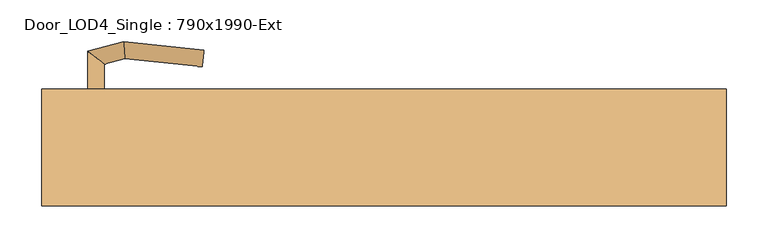
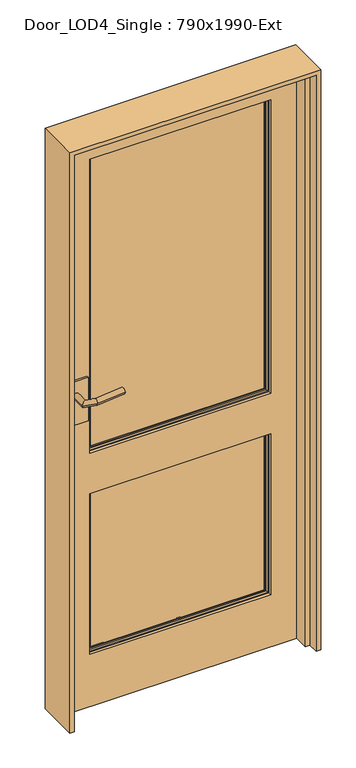
"""IFC4 building model written with IfcOpenShell, lengths in millimetres: door geometry, Door_LOD4_Single : 790x1990-Ext."""

from ifc_helpers import new_model, si_unit, frame, origin, place, context, project, spatial, polyline, circle_curve, ellipse_curve, outline, extrude, faceted_brep, source, transform, mapped, element, save
from ifc_brep_helpers import plane_surface, cylinder_surface, advanced_brep


def door_lod4_single_790x1990_ext_f6b8af98(model_context):
    return source(origin(), model_context, "Body", "SolidModel", [
        advanced_brep(
        [(295.0, 25.0, 875.0), (295.0, 25.0, 1890.0000797), (-295.0, 25.0, 1890.0000797), (-295.0, 25.0, 875.0), (-291.3556551, 25.0, 878.6443449), (-291.3556551, 25.0, 1886.3557348), (291.3556551, 25.0, 1886.3557348), (291.3556551, 25.0, 878.6443449), (295.0, 45.0, 875.0), (-295.0, 45.0, 875.0), (-295.0, 45.0, 1890.0000797), (295.0, 45.0, 1890.0000797), (-291.3556551, 45.0, 1886.3557348), (-291.3556551, 45.0, 878.6443449), (291.3556551, 45.0, 878.6443449), (291.3556551, 45.0, 1886.3557348), (-284.5, 37.3125, 1879.5000797), (-284.5, 37.3125, 885.5), (-284.5, 40.3125, 885.5), (-284.5, 40.3125, 1879.5000797), (284.5, 37.3125, 885.5), (284.5, 40.3125, 885.5), (284.5, 37.3125, 1879.5000797), (284.5, 40.3125, 1879.5000797), (-289.0625, 40.3125, 880.9375), (-289.0625, 40.3125, 1884.0625797), (289.0625, 40.3125, 1884.0625797), (289.0625, 40.3125, 880.9375), (-284.5, 29.6875, 1879.5000797), (-284.5, 29.6875, 885.5), (-284.5, 32.6875, 885.5), (-284.5, 32.6875, 1879.5000797), (284.5, 29.6875, 885.5), (284.5, 32.6875, 885.5), (284.5, 29.6875, 1879.5000797), (284.5, 32.6875, 1879.5000797), (-289.0625, 29.6875, 1884.0625797), (-289.0625, 29.6875, 880.9375), (289.0625, 29.6875, 880.9375), (289.0625, 29.6875, 1884.0625797)],
        [
            (0, 1),
            (1, 2),
            (2, 3),
            (3, 0),
            (4, 5),
            (5, 6),
            (6, 7),
            (7, 4),
            (8, 9),
            (9, 10),
            (10, 11),
            (11, 8),
            (12, 13),
            (13, 14),
            (14, 15),
            (15, 12),
            (0, 8),
            (11, 1),
            (10, 2),
            (9, 3),
            (16, 17),
            (17, 18),
            (18, 19),
            (19, 16),
            (17, 20),
            (20, 21),
            (21, 18),
            (20, 22),
            (22, 23),
            (23, 21),
            (24, 25),
            (25, 26),
            (26, 27),
            (27, 24),
            (23, 19),
            (22, 16),
            (24, 13, ellipse_curve(frame((-295.0, 40.3125, 875.0), z_axis=(-0.7071067811865475, 0.0, 0.7071067811865475), x_axis=(-0.7071067811865474, 0.0, -0.7071067811865476)), 8.396893, 5.9375)),
            (12, 25, ellipse_curve(frame((-295.0, 40.3125, 1890.0000797), z_axis=(-0.7071067811865475, 0.0, -0.7071067811865475), x_axis=(0.7071067811865474, 0.0, -0.7071067811865476)), 8.396893, 5.9375)),
            (27, 14, ellipse_curve(frame((295.0, 40.3125, 875.0), z_axis=(-0.7071067811865475, 0.0, -0.7071067811865475), x_axis=(0.7071067811865476, 0.0, -0.7071067811865474)), 8.396893, 5.9375)),
            (26, 15, ellipse_curve(frame((295.0, 40.3125, 1890.0000797), z_axis=(0.7071067811865475, 0.0, -0.7071067811865475), x_axis=(0.7071067811865474, 0.0, 0.7071067811865476)), 8.396893, 5.9375)),
            (28, 29),
            (29, 30),
            (30, 31),
            (31, 28),
            (29, 32),
            (32, 33),
            (33, 30),
            (32, 34),
            (34, 35),
            (35, 33),
            (36, 37),
            (37, 38),
            (38, 39),
            (39, 36),
            (28, 34),
            (31, 35),
            (36, 5, ellipse_curve(frame((-295.0, 29.6875, 1890.0000797), z_axis=(-0.7071067811865475, 0.0, -0.7071067811865475), x_axis=(0.7071067811865474, 0.0, -0.7071067811865476)), 8.396893, 5.9375)),
            (4, 37, ellipse_curve(frame((-295.0, 29.6875, 875.0), z_axis=(-0.7071067811865475, 0.0, 0.7071067811865475), x_axis=(-0.7071067811865474, 0.0, -0.7071067811865476)), 8.396893, 5.9375)),
            (7, 38, ellipse_curve(frame((295.0, 29.6875, 875.0), z_axis=(-0.7071067811865475, 0.0, -0.7071067811865475), x_axis=(0.7071067811865476, 0.0, -0.7071067811865474)), 8.396893, 5.9375)),
            (6, 39, ellipse_curve(frame((295.0, 29.6875, 1890.0000797), z_axis=(0.7071067811865475, 0.0, -0.7071067811865475), x_axis=(0.7071067811865474, 0.0, 0.7071067811865476)), 8.396893, 5.9375)),
        ],
        [
            plane_surface(frame((295.0, 25.0, 875.0), z_axis=(0.0, -1.0, 0.0), x_axis=(0.0, 0.0, 1.0))),
            plane_surface(frame((295.0, 45.0, 875.0), z_axis=(0.0, 1.0, 0.0), x_axis=(0.0, 0.0, -1.0))),
            plane_surface(frame((295.0, 25.0, 875.0), z_axis=(1.0, 0.0, 0.0), x_axis=(0.0, 1.0, 0.0))),
            plane_surface(frame((295.0, 25.0, 1890.0000797), z_axis=(0.0, 0.0, 1.0), x_axis=(0.0, 1.0, 0.0))),
            plane_surface(frame((-295.0, 25.0, 1890.0000797), z_axis=(-1.0, 0.0, 0.0), x_axis=(0.0, 1.0, 0.0))),
            plane_surface(frame((-295.0, 25.0, 875.0), z_axis=(0.0, 0.0, -1.0), x_axis=(0.0, 1.0, 0.0))),
            plane_surface(frame((-284.5, 40.3125, 1879.5000797), z_axis=(1.0, 0.0, 0.0), x_axis=(0.0, 0.0, -1.0))),
            plane_surface(frame((-284.5, 40.3125, 885.5), z_axis=(0.0, 0.0, 1.0), x_axis=(1.0, 0.0, 0.0))),
            plane_surface(frame((284.5, 40.3125, 885.5), z_axis=(-1.0, 0.0, 0.0), x_axis=(0.0, 0.0, 1.0))),
            plane_surface(frame((289.0625, 40.3125, 1884.0625797), z_axis=(0.0, 1.0, 0.0), x_axis=(-1.0, 0.0, 0.0))),
            plane_surface(frame((284.5, 40.3125, 1879.5000797), z_axis=(0.0, 0.0, -1.0), x_axis=(-1.0, 0.0, 0.0))),
            plane_surface(frame((284.5, 37.3125, 1879.5000797), z_axis=(0.0, 1.0, 0.0), x_axis=(-1.0, 0.0, 0.0))),
            cylinder_surface(frame((-295.0, 40.3125, 1890.0000797), z_axis=(0.0, 0.0, -1.0), x_axis=(-1.0, 0.0, 0.0)), 5.9375),
            cylinder_surface(frame((-295.0, 40.3125, 875.0), z_axis=(1.0, 0.0, 0.0), x_axis=(0.0, 0.0, -1.0)), 5.9375),
            cylinder_surface(frame((295.0, 40.3125, 875.0), z_axis=(0.0, 0.0, 1.0), x_axis=(1.0, 0.0, 0.0)), 5.9375),
            cylinder_surface(frame((295.0, 40.3125, 1890.0000797), z_axis=(-1.0, 0.0, 0.0), x_axis=(0.0, 0.0, 1.0)), 5.9375),
            plane_surface(frame((-284.5, 32.6875, 1879.5000797), z_axis=(1.0, 0.0, 0.0), x_axis=(0.0, 0.0, -1.0))),
            plane_surface(frame((-284.5, 32.6875, 885.5), z_axis=(0.0, 0.0, 1.0), x_axis=(1.0, 0.0, 0.0))),
            plane_surface(frame((284.5, 32.6875, 885.5), z_axis=(-1.0, 0.0, 0.0), x_axis=(0.0, 0.0, 1.0))),
            plane_surface(frame((284.5, 29.6875, 1879.5000797), z_axis=(0.0, -1.0, 0.0), x_axis=(-1.0, 0.0, 0.0))),
            plane_surface(frame((284.5, 32.6875, 1879.5000797), z_axis=(0.0, 0.0, -1.0), x_axis=(-1.0, 0.0, 0.0))),
            plane_surface(frame((261.5442476, 32.6875, 1856.5443273), z_axis=(0.0, -1.0, 0.0), x_axis=(-1.0, 0.0, 0.0))),
            cylinder_surface(frame((-295.0, 29.6875, 1890.0000797), z_axis=(0.0, 0.0, -1.0), x_axis=(1.0, 0.0, 0.0)), 5.9375),
            cylinder_surface(frame((-295.0, 29.6875, 875.0), z_axis=(1.0, 0.0, 0.0), x_axis=(0.0, 0.0, 1.0)), 5.9375),
            cylinder_surface(frame((295.0, 29.6875, 875.0), z_axis=(0.0, 0.0, 1.0), x_axis=(-1.0, 0.0, 0.0)), 5.9375),
            cylinder_surface(frame((295.0, 29.6875, 1890.0000797), z_axis=(-1.0, 0.0, 0.0), x_axis=(0.0, 0.0, -1.0)), 5.9375),
        ],
        [
            (0, [[1, 2, 3, 4], [5, 6, 7, 8]]),
            (1, [[9, 10, 11, 12], [13, 14, 15, 16]]),
            (2, [[-1, 17, -12, 18]]),
            (3, [[-2, -18, -11, 19]]),
            (4, [[-3, -19, -10, 20]]),
            (5, [[-4, -20, -9, -17]]),
            (6, [[21, 22, 23, 24]]),
            (7, [[-22, 25, 26, 27]]),
            (8, [[-26, 28, 29, 30]]),
            (9, [[31, 32, 33, 34], [-23, -27, -30, 35]]),
            (10, [[-24, -35, -29, 36]]),
            (11, [[-21, -36, -28, -25]]),
            (12, [[-31, 37, -13, 38]]),
            (13, [[-34, 39, -14, -37]]),
            (14, [[-33, 40, -15, -39]]),
            (15, [[-32, -38, -16, -40]]),
            (16, [[41, 42, 43, 44]]),
            (17, [[-42, 45, 46, 47]]),
            (18, [[-46, 48, 49, 50]]),
            (19, [[51, 52, 53, 54], [-41, 55, -48, -45]]),
            (20, [[-44, 56, -49, -55]]),
            (21, [[-43, -47, -50, -56]]),
            (22, [[-51, 57, -5, 58]]),
            (23, [[-52, -58, -8, 59]]),
            (24, [[-53, -59, -7, 60]]),
            (25, [[-54, -60, -6, -57]]),
        ],
    ),
        advanced_brep(
        [(295.0, 25.0, 180.0), (295.0, 25.0, 735.0), (-295.0, 25.0, 735.0), (-295.0, 25.0, 180.0), (-291.3556551, 25.0, 183.6443449), (-291.3556551, 25.0, 731.3556551), (291.3556551, 25.0, 731.3556551), (291.3556551, 25.0, 183.6443449), (295.0, 45.0, 180.0), (-295.0, 45.0, 180.0), (-295.0, 45.0, 735.0), (295.0, 45.0, 735.0), (-291.3556551, 45.0, 731.3556551), (-291.3556551, 45.0, 183.6443449), (291.3556551, 45.0, 183.6443449), (291.3556551, 45.0, 731.3556551), (-284.5, 37.3125, 724.5), (-284.5, 37.3125, 190.5), (-284.5, 40.3125, 190.5), (-284.5, 40.3125, 724.5), (284.5, 37.3125, 190.5), (284.5, 40.3125, 190.5), (284.5, 37.3125, 724.5), (284.5, 40.3125, 724.5), (-289.0625, 40.3125, 185.9375), (-289.0625, 40.3125, 729.0625), (289.0625, 40.3125, 729.0625), (289.0625, 40.3125, 185.9375), (-284.5, 29.6875, 724.5), (-284.5, 29.6875, 190.5), (-284.5, 32.6875, 190.5), (-284.5, 32.6875, 724.5), (284.5, 29.6875, 190.5), (284.5, 32.6875, 190.5), (284.5, 29.6875, 724.5), (284.5, 32.6875, 724.5), (-289.0625, 29.6875, 729.0625), (-289.0625, 29.6875, 185.9375), (289.0625, 29.6875, 185.9375), (289.0625, 29.6875, 729.0625)],
        [
            (0, 1),
            (1, 2),
            (2, 3),
            (3, 0),
            (4, 5),
            (5, 6),
            (6, 7),
            (7, 4),
            (8, 9),
            (9, 10),
            (10, 11),
            (11, 8),
            (12, 13),
            (13, 14),
            (14, 15),
            (15, 12),
            (0, 8),
            (11, 1),
            (10, 2),
            (9, 3),
            (16, 17),
            (17, 18),
            (18, 19),
            (19, 16),
            (17, 20),
            (20, 21),
            (21, 18),
            (20, 22),
            (22, 23),
            (23, 21),
            (24, 25),
            (25, 26),
            (26, 27),
            (27, 24),
            (23, 19),
            (22, 16),
            (24, 13, ellipse_curve(frame((-295.0, 40.3125, 180.0), z_axis=(-0.7071067811865475, 0.0, 0.7071067811865475), x_axis=(-0.7071067811865474, 0.0, -0.7071067811865476)), 8.396893, 5.9375)),
            (12, 25, ellipse_curve(frame((-295.0, 40.3125, 735.0), z_axis=(-0.7071067811865475, 0.0, -0.7071067811865475), x_axis=(0.7071067811865474, 0.0, -0.7071067811865476)), 8.396893, 5.9375)),
            (27, 14, ellipse_curve(frame((295.0, 40.3125, 180.0), z_axis=(-0.7071067811865475, 0.0, -0.7071067811865475), x_axis=(0.7071067811865476, 0.0, -0.7071067811865474)), 8.396893, 5.9375)),
            (26, 15, ellipse_curve(frame((295.0, 40.3125, 735.0), z_axis=(0.7071067811865475, 0.0, -0.7071067811865475), x_axis=(0.7071067811865474, 0.0, 0.7071067811865476)), 8.396893, 5.9375)),
            (28, 29),
            (29, 30),
            (30, 31),
            (31, 28),
            (29, 32),
            (32, 33),
            (33, 30),
            (32, 34),
            (34, 35),
            (35, 33),
            (36, 37),
            (37, 38),
            (38, 39),
            (39, 36),
            (28, 34),
            (31, 35),
            (36, 5, ellipse_curve(frame((-295.0, 29.6875, 735.0), z_axis=(-0.7071067811865475, 0.0, -0.7071067811865475), x_axis=(0.7071067811865474, 0.0, -0.7071067811865476)), 8.396893, 5.9375)),
            (4, 37, ellipse_curve(frame((-295.0, 29.6875, 180.0), z_axis=(-0.7071067811865475, 0.0, 0.7071067811865475), x_axis=(-0.7071067811865474, 0.0, -0.7071067811865476)), 8.396893, 5.9375)),
            (7, 38, ellipse_curve(frame((295.0, 29.6875, 180.0), z_axis=(-0.7071067811865475, 0.0, -0.7071067811865475), x_axis=(0.7071067811865476, 0.0, -0.7071067811865474)), 8.396893, 5.9375)),
            (6, 39, ellipse_curve(frame((295.0, 29.6875, 735.0), z_axis=(0.7071067811865475, 0.0, -0.7071067811865475), x_axis=(0.7071067811865474, 0.0, 0.7071067811865476)), 8.396893, 5.9375)),
        ],
        [
            plane_surface(frame((295.0, 25.0, 180.0), z_axis=(0.0, -1.0, 0.0), x_axis=(0.0, 0.0, 1.0))),
            plane_surface(frame((295.0, 45.0, 180.0), z_axis=(0.0, 1.0, 0.0), x_axis=(0.0, 0.0, -1.0))),
            plane_surface(frame((295.0, 25.0, 180.0), z_axis=(1.0, 0.0, 0.0), x_axis=(0.0, 1.0, 0.0))),
            plane_surface(frame((295.0, 25.0, 735.0), z_axis=(0.0, 0.0, 1.0), x_axis=(0.0, 1.0, 0.0))),
            plane_surface(frame((-295.0, 25.0, 735.0), z_axis=(-1.0, 0.0, 0.0), x_axis=(0.0, 1.0, 0.0))),
            plane_surface(frame((-295.0, 25.0, 180.0), z_axis=(0.0, 0.0, -1.0), x_axis=(0.0, 1.0, 0.0))),
            plane_surface(frame((-284.5, 40.3125, 724.5), z_axis=(1.0, 0.0, 0.0), x_axis=(0.0, 0.0, -1.0))),
            plane_surface(frame((-284.5, 40.3125, 190.5), z_axis=(0.0, 0.0, 1.0), x_axis=(1.0, 0.0, 0.0))),
            plane_surface(frame((284.5, 40.3125, 190.5), z_axis=(-1.0, 0.0, 0.0), x_axis=(0.0, 0.0, 1.0))),
            plane_surface(frame((289.0625, 40.3125, 729.0625), z_axis=(0.0, 1.0, 0.0), x_axis=(-1.0, 0.0, 0.0))),
            plane_surface(frame((284.5, 40.3125, 724.5), z_axis=(0.0, 0.0, -1.0), x_axis=(-1.0, 0.0, 0.0))),
            plane_surface(frame((284.5, 37.3125, 724.5), z_axis=(0.0, 1.0, 0.0), x_axis=(-1.0, 0.0, 0.0))),
            cylinder_surface(frame((-295.0, 40.3125, 735.0), z_axis=(0.0, 0.0, -1.0), x_axis=(-1.0, 0.0, 0.0)), 5.9375),
            cylinder_surface(frame((-295.0, 40.3125, 180.0), z_axis=(1.0, 0.0, 0.0), x_axis=(0.0, 0.0, -1.0)), 5.9375),
            cylinder_surface(frame((295.0, 40.3125, 180.0), z_axis=(0.0, 0.0, 1.0), x_axis=(1.0, 0.0, 0.0)), 5.9375),
            cylinder_surface(frame((295.0, 40.3125, 735.0), z_axis=(-1.0, 0.0, 0.0), x_axis=(0.0, 0.0, 1.0)), 5.9375),
            plane_surface(frame((-284.5, 32.6875, 724.5), z_axis=(1.0, 0.0, 0.0), x_axis=(0.0, 0.0, -1.0))),
            plane_surface(frame((-284.5, 32.6875, 190.5), z_axis=(0.0, 0.0, 1.0), x_axis=(1.0, 0.0, 0.0))),
            plane_surface(frame((284.5, 32.6875, 190.5), z_axis=(-1.0, 0.0, 0.0), x_axis=(0.0, 0.0, 1.0))),
            plane_surface(frame((284.5, 29.6875, 724.5), z_axis=(0.0, -1.0, 0.0), x_axis=(-1.0, 0.0, 0.0))),
            plane_surface(frame((284.5, 32.6875, 724.5), z_axis=(0.0, 0.0, -1.0), x_axis=(-1.0, 0.0, 0.0))),
            plane_surface(frame((261.5442476, 32.6875, 701.5442476), z_axis=(0.0, -1.0, 0.0), x_axis=(-1.0, 0.0, 0.0))),
            cylinder_surface(frame((-295.0, 29.6875, 735.0), z_axis=(0.0, 0.0, -1.0), x_axis=(1.0, 0.0, 0.0)), 5.9375),
            cylinder_surface(frame((-295.0, 29.6875, 180.0), z_axis=(1.0, 0.0, 0.0), x_axis=(0.0, 0.0, 1.0)), 5.9375),
            cylinder_surface(frame((295.0, 29.6875, 180.0), z_axis=(0.0, 0.0, 1.0), x_axis=(-1.0, 0.0, 0.0)), 5.9375),
            cylinder_surface(frame((295.0, 29.6875, 735.0), z_axis=(-1.0, 0.0, 0.0), x_axis=(0.0, 0.0, -1.0)), 5.9375),
        ],
        [
            (0, [[1, 2, 3, 4], [5, 6, 7, 8]]),
            (1, [[9, 10, 11, 12], [13, 14, 15, 16]]),
            (2, [[-1, 17, -12, 18]]),
            (3, [[-2, -18, -11, 19]]),
            (4, [[-3, -19, -10, 20]]),
            (5, [[-4, -20, -9, -17]]),
            (6, [[21, 22, 23, 24]]),
            (7, [[-22, 25, 26, 27]]),
            (8, [[-26, 28, 29, 30]]),
            (9, [[31, 32, 33, 34], [-23, -27, -30, 35]]),
            (10, [[-24, -35, -29, 36]]),
            (11, [[-21, -36, -28, -25]]),
            (12, [[-31, 37, -13, 38]]),
            (13, [[-34, 39, -14, -37]]),
            (14, [[-33, 40, -15, -39]]),
            (15, [[-32, -38, -16, -40]]),
            (16, [[41, 42, 43, 44]]),
            (17, [[-42, 45, 46, 47]]),
            (18, [[-46, 48, 49, 50]]),
            (19, [[51, 52, 53, 54], [-41, 55, -48, -45]]),
            (20, [[-44, 56, -49, -55]]),
            (21, [[-43, -47, -50, -56]]),
            (22, [[-51, 57, -5, 58]]),
            (23, [[-52, -58, -8, 59]]),
            (24, [[-53, -59, -7, 60]]),
            (25, [[-54, -60, -6, -57]]),
        ],
    ),
        extrude(outline(polyline([(1990.0000797, -395.0), (0.0, -395.0), (0.0, 395.0), (1990.0000797, 395.0), (1990.0000797, -395.0)]), holes=[polyline([(1890.0000797, 295.0), (875.0, 295.0), (875.0, -295.0), (1890.0000797, -295.0), (1890.0000797, 295.0)]), polyline([(735.0, 295.0), (180.0, 295.0), (180.0, -295.0), (735.0, -295.0), (735.0, 295.0)])]), frame((0.0, 15.0, 0.0), z_axis=(0.0, 1.0, 0.0), x_axis=(0.0, 0.0, 1.0)), (0.0, 0.0, 1.0), 40.0),
        advanced_brep(
        [(-355.0, 7.0, 1095.0000398), (-335.0, 7.0, 1095.0000398), (-335.0, -30.3267301, 1095.0000398), (-355.0, -45.6732699, 1095.0000398), (-310.3947841, -36.9196778, 1095.0000398), (-311.9904081, -57.1976553, 1095.0000398), (-215.6930557, -47.0736521, 1095.0000398), (-217.7841855, -27.1832731, 1095.0000398)],
        [
            (0, 1, circle_curve(frame((-345.0, 7.0, 1095.0000398), z_axis=(0.0, 1.0, 0.0), x_axis=(1.0, 0.0, 0.0)), 10.0)),
            (1, 0, circle_curve(frame((-345.0, 7.0, 1095.0000398), z_axis=(0.0, 1.0, 0.0), x_axis=(1.0, 0.0, 0.0)), 10.0)),
            (1, 2),
            (2, 3, ellipse_curve(frame((-345.0, -38.0, 1095.0000398), z_axis=(-0.6087614290087403, 0.79335334029122, 0.0), x_axis=(0.7933533402912198, 0.6087614290087406, 0.0)), 12.6047241, 10.0)),
            (3, 0),
            (3, 2, ellipse_curve(frame((-345.0, -38.0, 1095.0000398), z_axis=(-0.6087614290087403, 0.79335334029122, 0.0), x_axis=(0.7933533402912198, 0.6087614290087406, 0.0)), 12.6047241, 10.0)),
            (2, 4),
            (4, 5, ellipse_curve(frame((-311.1925961, -47.0586666, 1095.0000398), z_axis=(-0.9969184391323764, 0.07844504903348702, 0.0), x_axis=(0.07844504903348593, 0.9969184391323765, 0.0)), 10.1703292, 10.0)),
            (5, 3),
            (5, 4, ellipse_curve(frame((-311.1925961, -47.0586666, 1095.0000398), z_axis=(-0.9969184391323764, 0.07844504903348702, 0.0), x_axis=(0.07844504903348593, 0.9969184391323765, 0.0)), 10.1703292, 10.0)),
            (6, 7, circle_curve(frame((-216.7386206, -37.1284626, 1095.0000398), z_axis=(0.9945189493358518, 0.10455648909519343, 0.0), x_axis=(-0.10455648909519343, 0.9945189493358518, 0.0)), 10.0)),
            (7, 6, circle_curve(frame((-216.7386206, -37.1284626, 1095.0000398), z_axis=(0.9945189493358518, 0.10455648909519343, 0.0), x_axis=(-0.10455648909519343, 0.9945189493358518, 0.0)), 10.0)),
            (4, 7),
            (6, 5),
        ],
        [
            plane_surface(frame((-345.0, 7.0, 1095.0000398), z_axis=(0.0, 1.0, 0.0), x_axis=(0.0, 0.0, 1.0))),
            cylinder_surface(frame((-345.0, 7.0, 1095.0000398), z_axis=(0.0, 1.0, 0.0), x_axis=(1.0, 0.0, 0.0)), 10.0),
            cylinder_surface(frame((-345.0, -38.0, 1095.0000398), z_axis=(-0.965925826289083, 0.2588190451024665, 0.0), x_axis=(0.2588190451024665, 0.965925826289083, 0.0)), 10.0),
            plane_surface(frame((-216.7386206, -37.1284626, 1095.0000398), z_axis=(0.9945189493358518, 0.10455648909519348, 0.0), x_axis=(0.0, 0.0, 1.0))),
            cylinder_surface(frame((-311.1925961, -47.0586666, 1095.0000398), z_axis=(-0.9945189493358518, -0.10455648909519343, 0.0), x_axis=(-0.10455648909519343, 0.9945189493358518, 0.0)), 10.0),
        ],
        [
            (0, [[1, 2]]),
            (1, [[3, 4, 5, -2]]),
            (1, [[-5, 6, -3, -1]]),
            (2, [[7, 8, 9, -4]]),
            (2, [[-9, 10, -7, -6]]),
            (3, [[11, 12]]),
            (4, [[13, -11, 14, -8]]),
            (4, [[-14, -12, -13, -10]]),
        ],
    ),
        extrude(outline(polyline([(-385.0, 7.0), (-385.0, 15.0), (-305.0, 15.0), (-305.0, 7.0), (-385.0, 7.0)])), frame((0.0, 0.0, 995.0000398), z_axis=(0.0, 0.0, 1.0), x_axis=(1.0, 0.0, 0.0)), (0.0, 0.0, 1.0), 150.0),
        advanced_brep(
        [(-355.0, 63.0, 1095.0000398), (-335.0, 63.0, 1095.0000398), (-355.0, 115.6732699, 1095.0000398), (-335.0, 100.3267301, 1095.0000398), (-311.9904081, 127.1976553, 1095.0000398), (-310.3947841, 106.9196778, 1095.0000398), (-215.6930557, 117.0736521, 1095.0000398), (-217.7841855, 97.1832731, 1095.0000398)],
        [
            (0, 1, circle_curve(frame((-345.0, 63.0, 1095.0000398), z_axis=(0.0, -1.0, 0.0), x_axis=(1.0, 0.0, 0.0)), 10.0)),
            (1, 0, circle_curve(frame((-345.0, 63.0, 1095.0000398), z_axis=(0.0, -1.0, 0.0), x_axis=(1.0, 0.0, 0.0)), 10.0)),
            (0, 2),
            (2, 3, ellipse_curve(frame((-345.0, 108.0, 1095.0000398), z_axis=(-0.6087614290087454, -0.793353340291216, 0.0), x_axis=(0.793353340291216, -0.6087614290087459, 0.0)), 12.6047241, 10.0)),
            (3, 1),
            (3, 2, ellipse_curve(frame((-345.0, 108.0, 1095.0000398), z_axis=(-0.6087614290087454, -0.793353340291216, 0.0), x_axis=(0.793353340291216, -0.6087614290087459, 0.0)), 12.6047241, 10.0)),
            (2, 4),
            (4, 5, ellipse_curve(frame((-311.1925961, 117.0586666, 1095.0000398), z_axis=(-0.9969184391323771, -0.07844504903348057, 0.0), x_axis=(0.07844504903348166, -0.9969184391323769, 0.0)), 10.1703292, 10.0)),
            (5, 3),
            (5, 4, ellipse_curve(frame((-311.1925961, 117.0586666, 1095.0000398), z_axis=(-0.9969184391323771, -0.07844504903348057, 0.0), x_axis=(0.07844504903348166, -0.9969184391323769, 0.0)), 10.1703292, 10.0)),
            (6, 7, circle_curve(frame((-216.7386206, 107.1284626, 1095.0000398), z_axis=(0.9945189493358512, -0.10455648909519989, 0.0), x_axis=(-0.10455648909519989, -0.9945189493358512, 0.0)), 10.0)),
            (7, 6, circle_curve(frame((-216.7386206, 107.1284626, 1095.0000398), z_axis=(0.9945189493358512, -0.10455648909519989, 0.0), x_axis=(-0.10455648909519989, -0.9945189493358512, 0.0)), 10.0)),
            (4, 6),
            (7, 5),
        ],
        [
            plane_surface(frame((-345.0, 63.0, 1095.0000398), z_axis=(0.0, -1.0, 0.0), x_axis=(0.0, 0.0, 1.0))),
            cylinder_surface(frame((-345.0, 63.0, 1095.0000398), z_axis=(0.0, -1.0, 0.0), x_axis=(1.0, 0.0, 0.0)), 10.0),
            cylinder_surface(frame((-345.0, 108.0, 1095.0000398), z_axis=(-0.9659258262890846, -0.25881904510246023, 0.0), x_axis=(0.25881904510246023, -0.9659258262890846, 0.0)), 10.0),
            plane_surface(frame((-216.7386206, 107.1284626, 1095.0000398), z_axis=(0.9945189493358512, -0.10455648909519995, 0.0), x_axis=(0.0, 0.0, 1.0))),
            cylinder_surface(frame((-311.1925961, 117.0586666, 1095.0000398), z_axis=(-0.9945189493358512, 0.10455648909519989, 0.0), x_axis=(-0.10455648909519989, -0.9945189493358512, 0.0)), 10.0),
        ],
        [
            (0, [[1, 2]]),
            (1, [[-1, 3, 4, 5]]),
            (1, [[-2, -5, 6, -3]]),
            (2, [[-4, 7, 8, 9]]),
            (2, [[-6, -9, 10, -7]]),
            (3, [[11, 12]]),
            (4, [[-8, 13, -12, 14]]),
            (4, [[-10, -14, -11, -13]]),
        ],
    ),
        extrude(outline(polyline([(-385.0, 63.0), (-305.0, 63.0), (-305.0, 55.0), (-385.0, 55.0), (-385.0, 63.0)])), frame((0.0, 0.0, 995.0000398), z_axis=(0.0, 0.0, 1.0), x_axis=(1.0, 0.0, 0.0)), (0.0, 0.0, 1.0), 150.0),
        extrude(outline(polyline([(1990.0000797, -395.0), (0.0, -395.0), (0.0, -380.0), (1975.0000797, -380.0), (1975.0000797, 380.0), (0.0, 380.0), (0.0, 395.0), (1990.0000797, 395.0), (1990.0000797, -395.0)])), frame((0.0, -35.0, 0.0), z_axis=(0.0, 1.0, 0.0), x_axis=(0.0, 0.0, 1.0)), (0.0, 0.0, 1.0), 50.0),
        faceted_brep([(-410.0, -70.0, 2005.0000797), (-410.0, -70.0, 0.0), (-395.0, -70.0, 0.0), (-395.0, -70.0, 1990.0000797), (395.0, -70.0, 1990.0000797), (395.0, -70.0, 0.0), (410.0, -70.0, 0.0), (410.0, -70.0, 2005.0000797), (-410.0, 70.0, 2005.0000797), (410.0, 70.0, 2005.0000797), (410.0, 70.0, 0.0), (395.0, 70.0, 0.0), (395.0, 70.0, 1990.0000797), (-395.0, 70.0, 1990.0000797), (-395.0, 70.0, 0.0), (-410.0, 70.0, 0.0), (-395.0, -35.0, 0.0), (-395.0, -35.0, 1990.0000797), (395.0, -35.0, 1990.0000797), (395.0, -35.0, 0.0)], [[[0, 1, 2, 3, 4, 5, 6, 7]], [[8, 9, 10, 11, 12, 13, 14, 15]], [[1, 0, 8, 15]], [[2, 1, 15, 14, 16]], [[3, 2, 16, 14, 13, 17]], [[4, 3, 17, 13, 12, 18]], [[5, 4, 18, 12, 11, 19]], [[6, 5, 19, 11, 10]], [[7, 6, 10, 9]], [[0, 7, 9, 8]]]),
    ])


if __name__ == "__main__":
    model = new_model("IFC4")
    model_context = context("Model", 3, world=origin())
    ifc_project = project(units=[si_unit("LENGTHUNIT", "METRE", prefix="MILLI")], contexts=[model_context])
    site = spatial("IfcSite", under=ifc_project)
    building = spatial("IfcBuilding", under=site)
    placement = place(None, origin())
    door_lod4_single_790x1990_ext_shape = door_lod4_single_790x1990_ext_f6b8af98(model_context)
    element("IfcDoor", 1, ObjectType="Door_LOD4_Single : 790x1990-Ext", at=placement, inside=building, context=model_context, shape_type="MappedRepresentation", body=[
        mapped(door_lod4_single_790x1990_ext_shape, transform((0.0, 0.0, 0.0), x_axis=(1.0, 0.0, 0.0), y_axis=(0.0, 1.0, 0.0), z_axis=(0.0, 0.0, 1.0))),
    ])
    save(model, "model.ifc")
